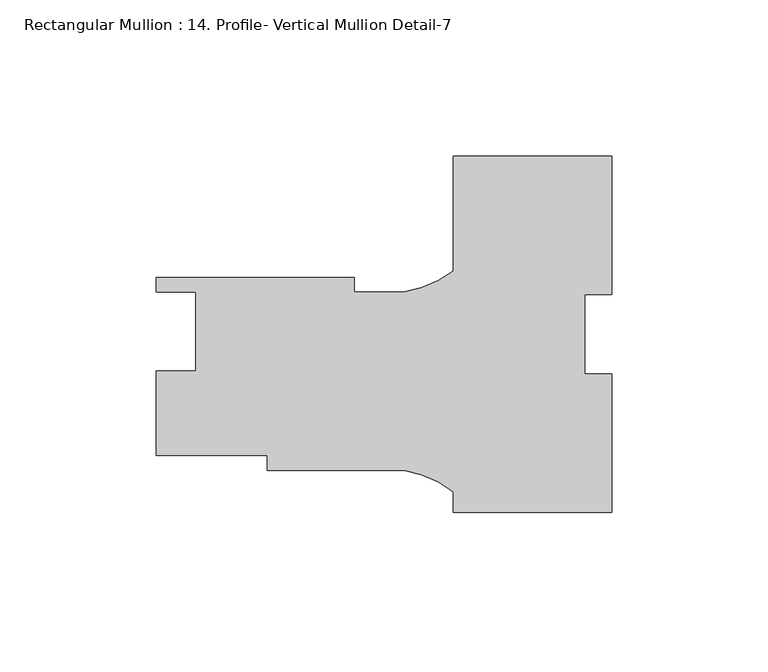
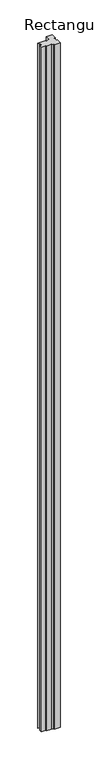
"""IFC4 building model written with IfcOpenShell, lengths in millimetres: member geometry, Rectangular Mullion : 14. Profile- Vertical Mullion Detail-7."""

from ifc_helpers import new_model, si_unit, point, frame, frame_2d, origin, place, context, project, spatial, polyline, circle_curve, trimmed, segment, composite_curve, outline, extrude, source, transform, mapped, element, save


def rectangular_mullion_14_profile_vertical_mullion_detail_7_0108f0d4(model_context):
    return source(origin(), model_context, "Body", "SweptSolid", [
        extrude(outline(composite_curve([segment(polyline([(25.4, 12.7), (16.66875, 12.7), (16.66875, -12.7), (25.4, -12.7), (25.4, -57.15), (-25.4, -57.15), (-25.4, -50.5242543)]), True, "CONTINUOUS"), segment(trimmed(circle_curve(frame_2d((-47.5843006, -80.0682914)), 36.945816), [point((-25.4, -50.5242543))], [point((-41.2172861, -43.6752365))], True, "CARTESIAN"), True, "CONTINUOUS"), segment(polyline([(-41.2172861, -43.6752365), (-85.0500517, -43.6752365), (-85.0500517, -38.9127365), (-120.65, -38.9127365), (-120.65, -11.8617365), (-107.95, -11.8617365), (-107.95, 13.5382635), (-120.65, 13.5382635), (-120.65, 18.2372635), (-57.15, 18.2372635), (-57.15, 13.4747635), (-41.2187366, 13.4747635)]), True, "CONTINUOUS"), segment(trimmed(circle_curve(frame_2d((-47.5843006, 49.8680722)), 36.945816), [point((-41.2187366, 13.4747635))], [point((-25.4, 20.3240351))], True, "CARTESIAN"), True, "CONTINUOUS"), segment(polyline([(-25.4, 20.3240351), (-25.4, 57.15), (25.4, 57.15), (25.4, 12.7)]), True, "CONTINUOUS")], self_intersect=False)), frame((0.0, 0.0, -6096.0), z_axis=(0.0, 0.0, 1.0), x_axis=(1.0, 0.0, 0.0)), (0.0, 0.0, 1.0), 6096.0),
    ])


if __name__ == "__main__":
    model = new_model("IFC4")
    model_context = context("Model", 3, world=origin())
    ifc_project = project(units=[si_unit("LENGTHUNIT", "METRE", prefix="MILLI")], contexts=[model_context])
    site = spatial("IfcSite", under=ifc_project)
    building = spatial("IfcBuilding", under=site)
    placement = place(None, origin())
    rectangular_mullion_14_profile_vertical_mullion_detail_7_shape = rectangular_mullion_14_profile_vertical_mullion_detail_7_0108f0d4(model_context)
    element("IfcMember", 1, ObjectType="Rectangular Mullion : 14. Profile- Vertical Mullion Detail-7", at=placement, inside=building, context=model_context, shape_type="MappedRepresentation", body=[
        mapped(rectangular_mullion_14_profile_vertical_mullion_detail_7_shape, transform((0.0, 0.0, 0.0), x_axis=(1.0, 0.0, 0.0), y_axis=(0.0, 1.0, 0.0), z_axis=(0.0, 0.0, 1.0))),
    ])
    save(model, "model.ifc")
